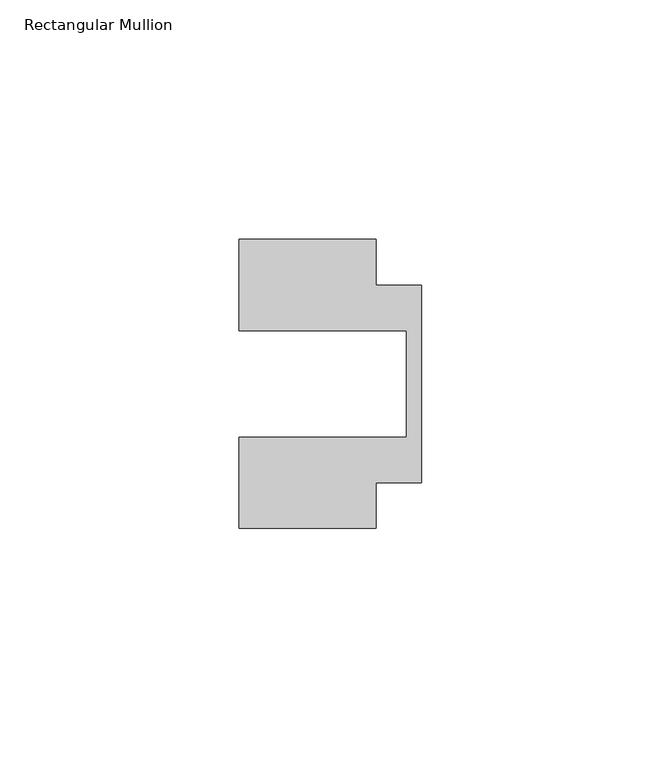
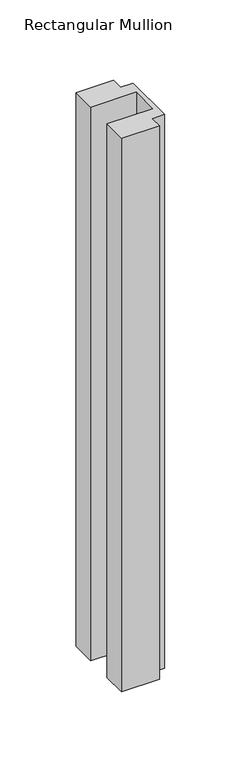
"""IFC4 building model written with IfcOpenShell, lengths in millimetres: member geometry, Rectangular Mullion."""

import ifcopenshell
import ifcopenshell.guid

model = None  # the IFC model being written
_history = None  # IfcOwnerHistory: only IFC2X3 demands one
_inside = {}  # id of a spatial element -> (the spatial element, [elements in it])
_under = {}  # id of a project, library or spatial element -> (it, [spatial elements below it])
_declared = {}  # id of a project -> (the project, [libraries it declares])
_typed = {}  # id of a type object -> (the type object, [elements of that type])
_made_of = {}  # id of a material, layer set ... -> (it, [elements and type objects made of it])


def new_model(schema):
    """Start an empty IFC model of exactly this schema.

    Asked for "IFC4X3", IfcOpenShell would pick the latest addendum, in which some entities
    have other attributes; the version numbers below select the first issue.
    IFC2X3 requires an IfcOwnerHistory on every rooted entity: one is made here for all.
    """
    global model, _history
    if schema == "IFC4X3":
        model = ifcopenshell.file(schema_version=(4, 3, 0, 0))
    else:
        model = ifcopenshell.file(schema=schema)
    _inside.clear()
    _under.clear()
    _declared.clear()
    _typed.clear()
    _made_of.clear()
    _history = None
    if model.schema == "IFC2X3":
        org = make("IfcOrganization", Name="unknown")
        user = make(
            "IfcPersonAndOrganization",
            ThePerson=make("IfcPerson", FamilyName="unknown"),
            TheOrganization=org,
        )
        app = make(
            "IfcApplication",
            ApplicationDeveloper=org,
            Version="unknown",
            ApplicationFullName="unknown",
            ApplicationIdentifier="unknown",
        )
        _history = make(
            "IfcOwnerHistory",
            OwningUser=user,
            OwningApplication=app,
            ChangeAction="ADDED",
            CreationDate=0,
        )
    return model


def make(cls, **values):
    """One entity of the class cls with the attributes given. An attribute that is None is left unset."""
    return model.create_entity(
        cls, **{name: value for name, value in values.items() if value is not None}
    )


def rooted(cls, **values):
    """An entity with a GlobalId (a new one), such as an element, a storey or a relation."""
    return make(cls, GlobalId=ifcopenshell.guid.new(), OwnerHistory=_history, **values)


def si_unit(unit_type, name, prefix=None):
    """IfcSIUnit, for example si_unit("LENGTHUNIT", "METRE", prefix="MILLI")."""
    return make("IfcSIUnit", UnitType=unit_type, Prefix=prefix, Name=name)


def assignment(units):
    """IfcUnitAssignment: the units of a project."""
    return None if units is None else make("IfcUnitAssignment", Units=units)


def point(xyz):
    """IfcCartesianPoint."""
    return None if xyz is None else make("IfcCartesianPoint", Coordinates=xyz)


def direction(xyz):
    """IfcDirection."""
    return None if xyz is None else make("IfcDirection", DirectionRatios=xyz)


def frame(location, z_axis=None, x_axis=None):
    """IfcAxis2Placement3D, a coordinate frame: its origin and axes. An axis left out is left unset."""
    return make(
        "IfcAxis2Placement3D",
        Location=point(location),
        Axis=direction(z_axis),
        RefDirection=direction(x_axis),
    )


def origin():
    """The frame at (0, 0, 0) with its axes left unset."""
    return frame((0.0, 0.0, 0.0))


def place(relative_to, where):
    """IfcLocalPlacement: puts the frame where relative to a parent placement (None: the world)."""
    return make(
        "IfcLocalPlacement", PlacementRelTo=relative_to, RelativePlacement=where
    )


def context(
    kind, dimensions, precision=None, world=None, true_north=None, identifier=None
):
    """IfcGeometricRepresentationContext, for example the 3D "Model" context."""
    return make(
        "IfcGeometricRepresentationContext",
        ContextIdentifier=identifier,
        ContextType=kind,
        CoordinateSpaceDimension=dimensions,
        Precision=precision,
        WorldCoordinateSystem=world,
        TrueNorth=true_north,
    )


def project(units=None, contexts=None):
    """IfcProject with its units and contexts."""
    return rooted(
        "IfcProject",
        Name="project",
        RepresentationContexts=contexts,
        UnitsInContext=assignment(units),
    )


def spatial(cls, under=None, at=None, **own):
    """A site, building, storey or space (cls), placed at a placement, below another one or the project."""
    s = rooted(cls, ObjectPlacement=at, **own)
    if under is not None:
        _under.setdefault(under.id(), (under, []))[1].append(s)
    return s


def polyline(points):
    """IfcPolyline through the points."""
    return make("IfcPolyline", Points=[point(p) for p in points])


def outline(outer, holes=None, kind="AREA"):
    """IfcArbitraryClosedProfileDef: a profile drawn as a closed curve; with holes, ...WithVoids."""
    if holes is None:
        return make("IfcArbitraryClosedProfileDef", ProfileType=kind, OuterCurve=outer)
    return make(
        "IfcArbitraryProfileDefWithVoids",
        ProfileType=kind,
        OuterCurve=outer,
        InnerCurves=holes,
    )


def extrude(swept, where, along, depth):
    """IfcExtrudedAreaSolid: the profile swept, set in the frame where, extruded along a direction by depth."""
    return make(
        "IfcExtrudedAreaSolid",
        SweptArea=swept,
        Position=where,
        ExtrudedDirection=direction(along),
        Depth=depth,
    )


def shape(context_of_items, identifier, shape_type, items):
    """IfcShapeRepresentation: the items that make up one representation, for example the "Body"."""
    return make(
        "IfcShapeRepresentation",
        ContextOfItems=context_of_items,
        RepresentationIdentifier=identifier,
        RepresentationType=shape_type,
        Items=items,
    )


def source(mapping_origin, context_of_items, identifier, shape_type, items):
    """IfcRepresentationMap: a shape defined once, which mapped items show again and again."""
    return make(
        "IfcRepresentationMap",
        MappingOrigin=mapping_origin,
        MappedRepresentation=shape(context_of_items, identifier, shape_type, items),
    )


def transform(
    local_origin,
    x_axis=None,
    y_axis=None,
    z_axis=None,
    scale=None,
    scale2=None,
    scale3=None,
    uniform=True,
):
    """IfcCartesianTransformationOperator3D, or its non-uniform kind. x_axis, y_axis, z_axis: its Axis1, 2, 3."""
    if uniform:
        return make(
            "IfcCartesianTransformationOperator3D",
            Axis1=direction(x_axis),
            Axis2=direction(y_axis),
            LocalOrigin=point(local_origin),
            Scale=scale,
            Axis3=direction(z_axis),
        )
    return make(
        "IfcCartesianTransformationOperator3DnonUniform",
        Axis1=direction(x_axis),
        Axis2=direction(y_axis),
        LocalOrigin=point(local_origin),
        Scale=scale,
        Axis3=direction(z_axis),
        Scale2=scale2,
        Scale3=scale3,
    )


def mapped(mapping_source, mapping_target):
    """IfcMappedItem: shows the shape of a source again, moved by a transform."""
    return make(
        "IfcMappedItem", MappingSource=mapping_source, MappingTarget=mapping_target
    )


def made_of(thing, what):
    """Note that an element or type object is made of a material, layer set ...; save() writes the relation."""
    if what is not None:
        _made_of.setdefault(what.id(), (what, []))[1].append(thing)
    return thing


def element(
    cls,
    number,
    at=None,
    inside=None,
    cuts=None,
    type_object=None,
    material=None,
    context=None,
    identifier="Body",
    shape_type=None,
    held_by="IfcProductDefinitionShape",
    body=None,
    shapes=None,
    **own,
):
    """One element of the class cls, such as IfcWall. Its Tag is "e" and its number.

    at: its placement. inside: the storey or other place that contains it. cuts: it is an
    opening in that element (IfcRelVoidsElement). A single representation is given by context,
    identifier, shape_type and body (its items); several are given by shapes. held_by: the class
    of the entity that holds the representations. save() writes the other relations.
    """
    e = rooted(cls, Tag="e%d" % number, ObjectPlacement=at, **own)
    if body is not None:
        shapes = [shape(context, identifier, shape_type, body)]
    if shapes is not None:
        e.Representation = make(held_by, Representations=shapes)
    if inside is not None:
        _inside.setdefault(inside.id(), (inside, []))[1].append(e)
    if cuts is not None:
        rooted(
            "IfcRelVoidsElement", RelatingBuildingElement=cuts, RelatedOpeningElement=e
        )
    if type_object is not None:
        _typed.setdefault(type_object.id(), (type_object, []))[1].append(e)
    return made_of(e, material)


def aggregate(whole, parts):
    """IfcRelAggregates: a whole, such as a stair, and the parts it consists of."""
    return rooted("IfcRelAggregates", RelatingObject=whole, RelatedObjects=parts)


def save(model, path):
    """Write the relations noted so far, then the file.

    IfcRelAggregates (storeys below a building ...), IfcRelContainedInSpatialStructure (elements
    in a storey), IfcRelDefinesByType, IfcRelAssociatesMaterial and IfcRelDeclares: one each for
    every whole, place, type object, material and project.
    """
    for whole, parts in _under.values():
        aggregate(whole, parts)
    for where, things in _inside.values():
        rooted(
            "IfcRelContainedInSpatialStructure",
            RelatedElements=things,
            RelatingStructure=where,
        )
    for kind, things in _typed.values():
        rooted("IfcRelDefinesByType", RelatedObjects=things, RelatingType=kind)
    for what, things in _made_of.values():
        rooted("IfcRelAssociatesMaterial", RelatedObjects=things, RelatingMaterial=what)
    for by, libraries in _declared.values():
        rooted("IfcRelDeclares", RelatingContext=by, RelatedDefinitions=libraries)
    model.write(path)


def rectangular_mullion_2b8c5f3e(model_context):
    return source(origin(), model_context, "Body", "SweptSolid", [
        extrude(outline(polyline([(-38.1, -11.1125), (-3.175, -11.1125), (-3.175, 11.1125), (-38.1, 11.1125), (-38.1, 30.1625), (-9.525, 30.1625), (-9.525, 20.6375), (0.0, 20.6375), (0.0, -20.6375), (-9.525, -20.6375), (-9.525, -30.1625), (-38.1, -30.1625), (-38.1, -11.1125)])), frame((0.0, 0.0, -444.5), z_axis=(0.0, 0.0, 1.0), x_axis=(1.0, 0.0, 0.0)), (0.0, 0.0, 1.0), 444.5),
    ])


if __name__ == "__main__":
    model = new_model("IFC4")
    model_context = context("Model", 3, world=origin())
    ifc_project = project(units=[si_unit("LENGTHUNIT", "METRE", prefix="MILLI")], contexts=[model_context])
    site = spatial("IfcSite", under=ifc_project)
    building = spatial("IfcBuilding", under=site)
    placement = place(None, origin())
    rectangular_mullion_shape = rectangular_mullion_2b8c5f3e(model_context)
    element("IfcMember", 1, ObjectType="Rectangular Mullion", at=placement, inside=building, context=model_context, shape_type="MappedRepresentation", body=[
        mapped(rectangular_mullion_shape, transform((0.0, 0.0, 0.0), x_axis=(1.0, 0.0, 0.0), y_axis=(0.0, 1.0, 0.0), z_axis=(0.0, 0.0, 1.0))),
    ])
    save(model, "model.ifc")
